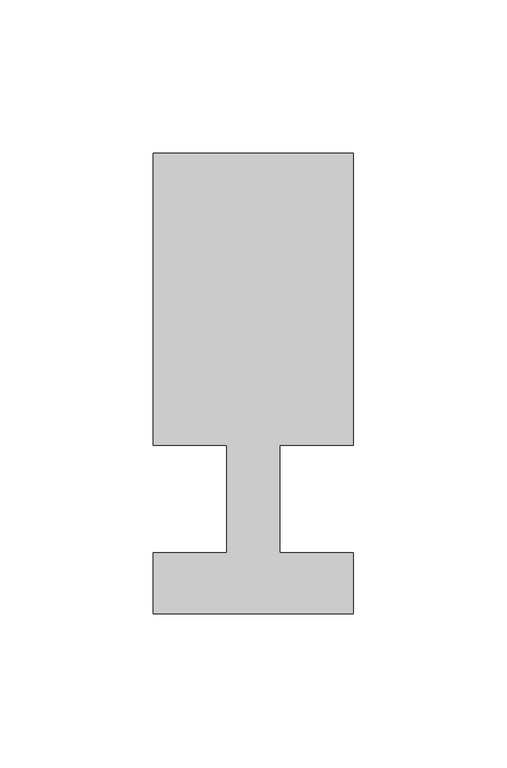
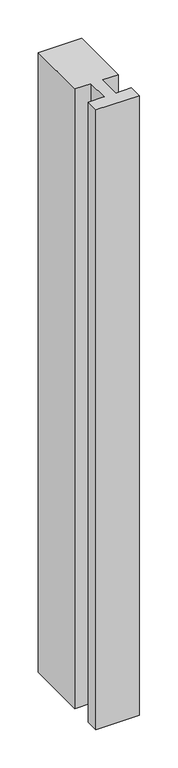
"""IFC4 building model written with IfcOpenShell, lengths in millimetres: member geometry."""

from ifc_helpers import new_model, si_unit, frame, origin, place, context, project, spatial, polyline, outline, extrude, source, transform, mapped, element, save


def member_4de7490d(model_context):
    return source(origin(), model_context, "Body", "SweptSolid", [
        extrude(outline(polyline([(-65.0, -37.0), (-65.0, -17.0), (-41.1875, -17.0), (-41.1875, 18.0), (-65.0, 18.0), (-65.0, 113.0), (0.0, 113.0), (0.0, 18.0), (-23.8125, 18.0), (-23.8125, -17.0), (0.0, -17.0), (0.0, -37.0), (-65.0, -37.0)])), frame((0.0, 0.0, -985.8333333), z_axis=(0.0, 0.0, 1.0), x_axis=(1.0, 0.0, 0.0)), (0.0, 0.0, 1.0), 985.8333333),
    ])


if __name__ == "__main__":
    model = new_model("IFC4")
    model_context = context("Model", 3, world=origin())
    ifc_project = project(units=[si_unit("LENGTHUNIT", "METRE", prefix="MILLI")], contexts=[model_context])
    site = spatial("IfcSite", under=ifc_project)
    building = spatial("IfcBuilding", under=site)
    placement = place(None, origin())
    member_shape = member_4de7490d(model_context)
    element("IfcMember", 1, at=placement, inside=building, context=model_context, shape_type="MappedRepresentation", body=[
        mapped(member_shape, transform((0.0, 0.0, 0.0), x_axis=(1.0, 0.0, 0.0), y_axis=(0.0, 1.0, 0.0), z_axis=(0.0, 0.0, 1.0))),
    ])
    save(model, "model.ifc")
